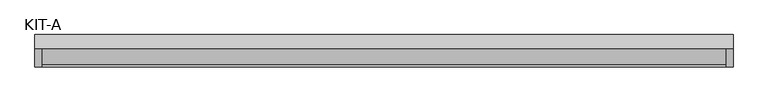
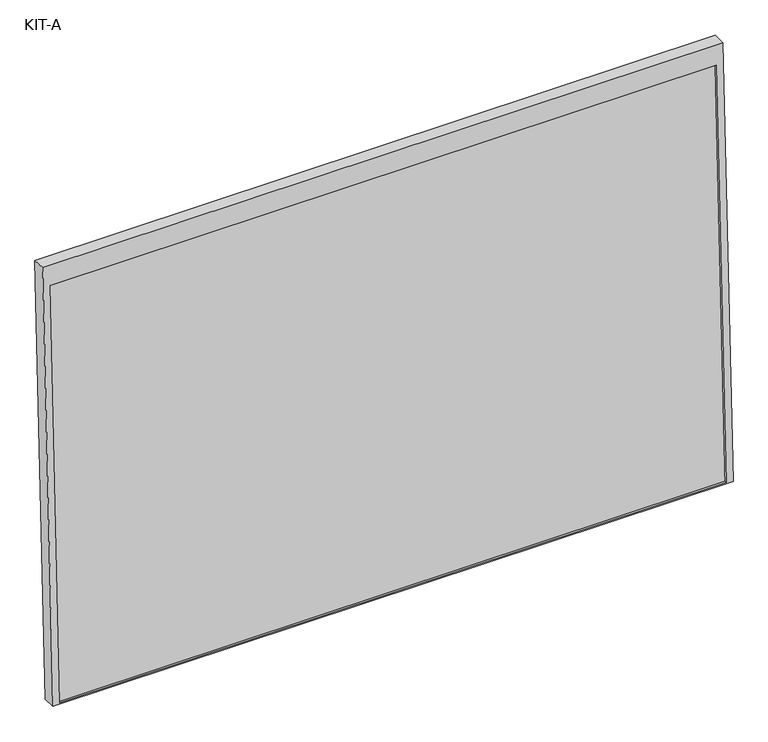
"""IFC4 building model written with IfcOpenShell, lengths in millimetres: plate geometry, KIT-A."""

from ifc_helpers import new_model, si_unit, frame, origin, place, context, project, spatial, polyline, outline, extrude, source, transform, mapped, element, save


def kit_a_18c6ad24(model_context):
    return source(origin(), model_context, "Body", "SweptSolid", [
        extrude(outline(polyline([(0.0, 0.0), (0.0, -1791.0), (-1195.0, -1791.0), (-1195.0, 0.0), (0.0, 0.0)]), holes=[polyline([(-55.0, -18.5), (-1191.0441175, -18.5), (-1191.0441175, -1772.5), (-55.0, -1772.5), (-55.0, -18.5)])]), frame((-895.5, 8.1623983, 1090.0923209), z_axis=(0.0, -0.9992101801000246, 0.039736834102334216), x_axis=(0.0, 0.039736834102334216, 0.9992101801000246)), (0.0, 0.0, 1.0), 35.0),
        extrude(outline(polyline([(0.0, -1754.0), (0.0, 0.0), (27.4505712, 0.0), (27.4505712, -1754.0), (0.0, -1754.0)])), frame((-877.0, -69.1422296, -98.8189813), z_axis=(0.0, 0.03973683410233642, 0.9992101801000245), x_axis=(0.0, 0.9992101801000245, -0.03973683410233642)), (0.0, 0.0, 1.0), 1136.0441176),
    ])


if __name__ == "__main__":
    model = new_model("IFC4")
    model_context = context("Model", 3, world=origin())
    ifc_project = project(units=[si_unit("LENGTHUNIT", "METRE", prefix="MILLI")], contexts=[model_context])
    site = spatial("IfcSite", under=ifc_project)
    building = spatial("IfcBuilding", under=site)
    placement = place(None, origin())
    kit_a_shape = kit_a_18c6ad24(model_context)
    element("IfcPlate", 1, ObjectType="KIT-A", at=placement, inside=building, context=model_context, shape_type="MappedRepresentation", body=[
        mapped(kit_a_shape, transform((0.0, 0.0, 0.0), x_axis=(1.0, 0.0, 0.0), y_axis=(0.0, 1.0, 0.0), z_axis=(0.0, 0.0, 1.0))),
    ])
    save(model, "model.ifc")
